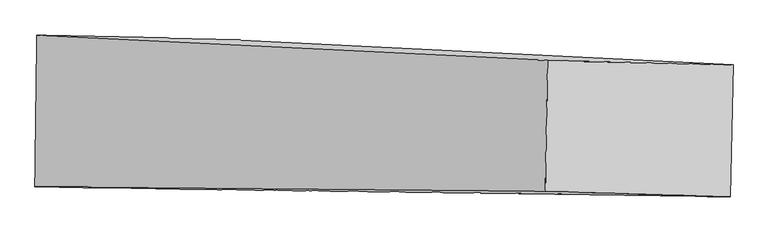
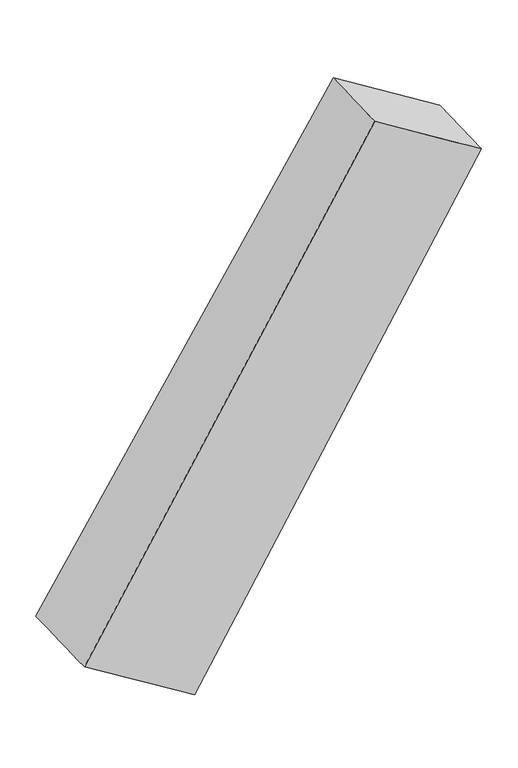
"""IFC4 building model written with IfcOpenShell, lengths in millimetres: proxy geometry."""

from ifc_helpers import new_model, si_unit, frame, origin, place, context, project, spatial, source, transform, mapped, element, save
from ifc_brep_helpers import plane_surface, spline_surface, advanced_brep


def generic_models_4d852d7d(model_context):
    return source(origin(), model_context, "Body", "AdvancedBrep", [
        advanced_brep(
        [(-3026.2507283, 1361.1111315, -1813.6950926), (-5777.4173918, 1427.6055511, -141.5772633), (1469.7797903, 1065.5396963, 11794.3834844), (4101.1434086, 1004.0367935, 10195.1205986), (-5804.1809484, -726.4940549, -166.8954904), (1436.0665214, -789.1598813, 11779.0641042), (-3064.944334, -767.5763677, -1831.2775482), (4058.4433492, -870.4489434, 10184.8772075)],
        [
            (0, 1),
            (1, 2),
            (2, 3),
            (3, 0),
            (1, 4),
            (4, 5),
            (5, 2),
            (4, 6),
            (6, 7),
            (7, 5),
            (6, 0),
            (3, 7),
        ],
        [
            spline_surface(1, 1, [[(-3026.2507283, 1361.1111315, -1813.6950926), (4101.1434086, 1004.0367935, 10195.1205986)], [(-5777.4173918, 1427.6055511, -141.5772633), (1469.7797903, 1065.5396963, 11794.3834844)]], [2, 2], [2, 2], [0.0, 1.0], [0.0, 1.0]),
            spline_surface(1, 1, [[(-5777.4173918, 1427.6055511, -141.5772633), (1469.7797903, 1065.5396963, 11794.3834844)], [(-5804.1809484, -726.4940549, -166.8954904), (1436.0665214, -789.1598813, 11779.0641042)]], [2, 2], [2, 2], [0.0, 1.0], [0.0, 1.0]),
            spline_surface(1, 1, [[(-5804.1809484, -726.4940549, -166.8954904), (1436.0665214, -789.1598813, 11779.0641042)], [(-3064.944334, -767.5763677, -1831.2775482), (4058.4433492, -870.4489434, 10184.8772075)]], [2, 2], [2, 2], [0.0, 1.0], [0.0, 1.0]),
            spline_surface(1, 1, [[(-3064.944334, -767.5763677, -1831.2775482), (4058.4433492, -870.4489434, 10184.8772075)], [(-3026.2507283, 1361.1111315, -1813.6950926), (4101.1434086, 1004.0367935, 10195.1205986)]], [2, 2], [2, 2], [0.0, 1.0], [0.0, 1.0]),
            plane_surface(frame((2766.3582674, 102.4919163, 10988.3613486), z_axis=(0.5190172447154938, -0.01649311918167967, 0.854604631807947), x_axis=(-0.8543794172772579, 0.01996942342928264, 0.5192658600956503))),
            plane_surface(frame((-4418.1983506, 323.661565, -988.3613486), z_axis=(-0.5190172447154937, 0.01649311918167921, -0.8546046318079468), x_axis=(-0.01817359084928133, -0.9998007421909162, -0.008258117832541077))),
        ],
        [
            (0, [[1, 2, 3, 4]]),
            (1, [[5, 6, 7, -2]]),
            (2, [[8, 9, 10, -6]]),
            (3, [[11, -4, 12, -9]]),
            (4, [[-3, -7, -10, -12]]),
            (5, [[-11, -8, -5, -1]]),
        ],
    ),
    ])


if __name__ == "__main__":
    model = new_model("IFC4")
    model_context = context("Model", 3, world=origin())
    ifc_project = project(units=[si_unit("LENGTHUNIT", "METRE", prefix="MILLI")], contexts=[model_context])
    site = spatial("IfcSite", under=ifc_project)
    building = spatial("IfcBuilding", under=site)
    placement = place(None, origin())
    generic_models_shape = generic_models_4d852d7d(model_context)
    element("IfcBuildingElementProxy", 1, Name="Generic Models", at=placement, inside=building, context=model_context, shape_type="MappedRepresentation", body=[
        mapped(generic_models_shape, transform((0.0, 0.0, 0.0), x_axis=(1.0, 0.0, 0.0), y_axis=(0.0, 1.0, 0.0), z_axis=(0.0, 0.0, 1.0))),
    ])
    save(model, "model.ifc")
